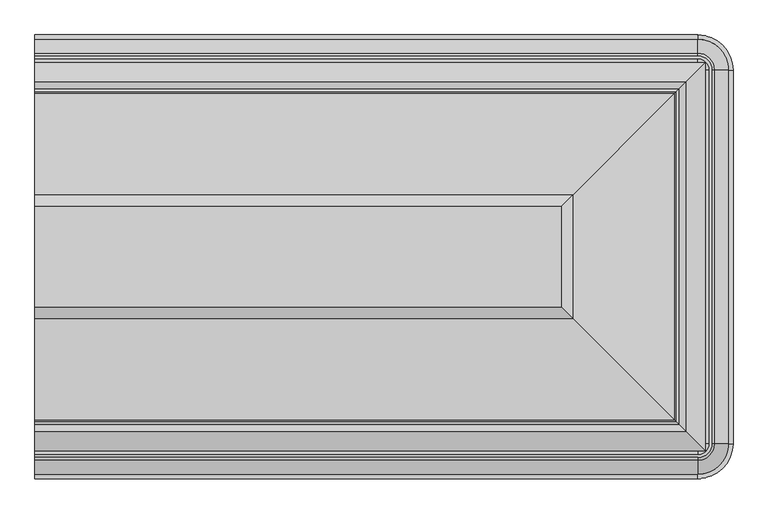
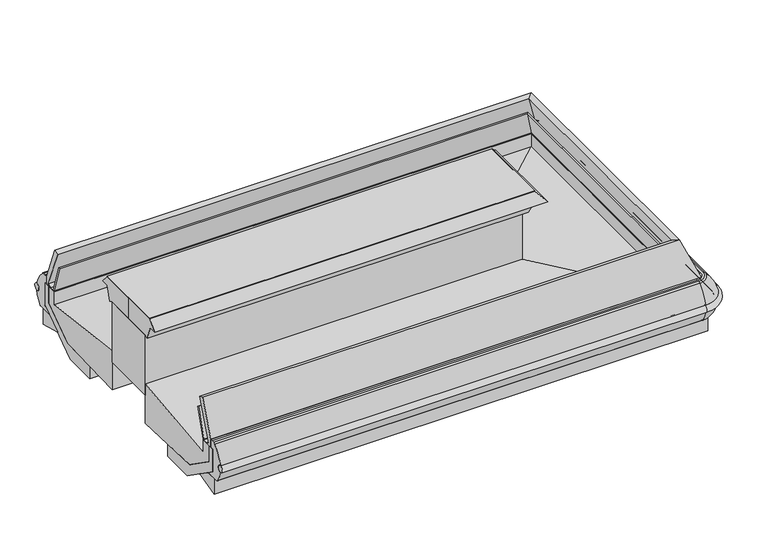
"""IFC4 building model written with IfcOpenShell, lengths in millimetres: proxy geometry."""

from ifc_helpers import new_model, si_unit, point, frame, origin, place, context, project, spatial, polyline, circle_curve, ellipse_curve, trimmed, outline, extrude, faceted_brep, source, transform, mapped, element, save
from ifc_brep_helpers import plane_surface, cylinder_surface, revolved_surface, advanced_brep


def mechanical_equipment_1e4bfff5(model_context):
    return source(origin(), model_context, "Body", "SolidModel", [
        faceted_brep([(0.0, -1781.1866726, 911.7999531), (0.0, -1860.5025367, 710.1476321), (0.0, -1841.5332437, 702.6864442), (0.0, -1817.1137149, 702.6864442), (0.0, -1816.7738859, 706.4102991), (0.0, -1770.0922273, 851.4874611), (0.0, -1764.037322, 849.5741862), (0.0, -1810.7189805, 704.4970242), (0.0, -1810.1258242, 699.9316399), (0.0, -1877.2754027, 699.9316399), (0.0, -1877.2754027, 741.2027305), (0.0, -1806.1949558, 921.6509767), (2364.0420453, -1781.1866726, 911.7999531), (2443.3579094, -1860.5025367, 710.1476321), (2424.3886164, -1841.5332437, 702.6864442), (2424.3886164, -485.2560109, 702.6864442), (0.0, -485.2560109, 702.6864442), (0.0, -509.6755397, 702.6864442), (2399.9690876, -509.6755397, 702.6864442), (2399.9690876, -1817.1137149, 702.6864442), (2399.6292586, -1816.7738859, 706.4102991), (2352.9476, -1770.0922273, 851.4874611), (2346.8926947, -1764.037322, 849.5741862), (2393.5743532, -1810.7189805, 704.4970242), (2392.9811969, -1810.1258242, 699.9316399), (2392.9811969, -516.6634304, 699.9316399), (0.0, -516.6634304, 699.9316399), (0.0, -449.5138519, 699.9316399), (2460.1307754, -449.5138519, 699.9316399), (2460.1307754, -1877.2754027, 699.9316399), (2460.1307754, -1877.2754027, 741.2027305), (2389.0503285, -1806.1949558, 921.6509767), (2364.0420453, -545.602582, 911.7999531), (2443.3579094, -466.2867179, 710.1476321), (2399.6292586, -510.0153687, 706.4102991), (2352.9476, -556.6970273, 851.4874611), (2346.8926947, -562.7519326, 849.5741862), (2393.5743532, -516.0702741, 704.4970242), (2460.1307754, -449.5138519, 741.2027305), (2389.0503285, -520.5942988, 921.6509767), (0.0, -545.602582, 911.7999531), (0.0, -520.5942988, 921.6509767), (0.0, -449.5138519, 741.2027305), (0.0, -516.0702741, 704.4970242), (0.0, -562.7519326, 849.5741862), (0.0, -556.6970273, 851.4874611), (0.0, -510.0153687, 706.4102991), (0.0, -466.2867179, 710.1476321)], [[[0, 1, 2, 3, 4, 5, 6, 7, 8, 9, 10, 11]], [[1, 0, 12, 13]], [[2, 1, 13, 14]], [[3, 2, 14, 15, 16, 17, 18, 19]], [[4, 3, 19, 20]], [[5, 4, 20, 21]], [[6, 5, 21, 22]], [[7, 6, 22, 23]], [[8, 7, 23, 24]], [[9, 8, 24, 25, 26, 27, 28, 29]], [[10, 9, 29, 30]], [[11, 10, 30, 31]], [[0, 11, 31, 12]], [[13, 12, 32, 33]], [[14, 13, 33, 15]], [[20, 19, 18, 34]], [[21, 20, 34, 35]], [[22, 21, 35, 36]], [[23, 22, 36, 37]], [[24, 23, 37, 25]], [[30, 29, 28, 38]], [[31, 30, 38, 39]], [[12, 31, 39, 32]], [[40, 41, 42, 27, 26, 43, 44, 45, 46, 17, 16, 47]], [[33, 32, 40, 47]], [[15, 33, 47, 16]], [[34, 18, 17, 46]], [[35, 34, 46, 45]], [[36, 35, 45, 44]], [[37, 36, 44, 43]], [[25, 37, 43, 26]], [[38, 28, 27, 42]], [[39, 38, 42, 41]], [[32, 39, 41, 40]]]),
        extrude(outline(polyline([(1930.9723359, -1348.1169632), (0.0, -1348.1169632), (0.0, -978.6722914), (1930.9723359, -978.6722914), (1930.9723359, -1348.1169632)])), frame((0.0, 0.0, 1059.6328437), z_axis=(0.0, 0.0, 1.0), x_axis=(1.0, 0.0, 0.0)), (0.0, 0.0, 1.0), 3.1453162),
        extrude(outline(polyline([(1891.2645079, -1019.5095352), (1891.2645079, -1308.4091352), (0.0, -1308.4091352), (0.0, -1019.5095352), (1891.2645079, -1019.5095352)])), frame((0.0, 0.0, 631.4585812), z_axis=(0.0, 0.0, 1.0), x_axis=(1.0, 0.0, 0.0)), (0.0, 0.0, 1.0), 317.8871452),
        faceted_brep([(0.0, -1308.2830983, 949.3457264), (0.0, -1326.3805663, 943.3348816), (0.0, -1349.8556285, 1014.0136635), (0.0, -1389.1926575, 1014.0136635), (0.0, -1348.1169632, 1059.6328437), (0.0, -1163.895984, 1059.6328437), (0.0, -1163.895984, 949.3457264), (1891.138471, -1308.2830983, 949.3457264), (1909.235939, -1326.3805663, 943.3348816), (1932.7110012, -1349.8556285, 1014.0136635), (1932.7110012, -976.9336261, 1014.0136635), (0.0, -976.9336261, 1014.0136635), (0.0, -937.5965971, 1014.0136635), (1972.0480302, -937.5965971, 1014.0136635), (1972.0480302, -1389.1926575, 1014.0136635), (1930.9723359, -1348.1169632, 1059.6328437), (1930.9723359, -978.6722914, 1059.6328437), (0.0, -978.6722914, 1059.6328437), (0.0, -1162.8932706, 1059.6328437), (1746.7513567, -1162.8932706, 1059.6328437), (1746.7513567, -1163.895984, 1059.6328437), (1746.7513567, -1163.895984, 949.3457264), (1746.7513567, -1162.8932706, 949.3457264), (0.0, -1162.8932706, 949.3457264), (0.0, -1018.5061563, 949.3457264), (1891.138471, -1018.5061563, 949.3457264), (1909.235939, -1000.4086883, 943.3348816), (0.0, -1000.4086883, 943.3348816)], [[[0, 1, 2, 3, 4, 5, 6]], [[1, 0, 7, 8]], [[2, 1, 8, 9]], [[3, 2, 9, 10, 11, 12, 13, 14]], [[4, 3, 14, 15]], [[5, 4, 15, 16, 17, 18, 19, 20]], [[6, 5, 20, 21]], [[0, 6, 21, 22, 23, 24, 25, 7]], [[8, 7, 25, 26]], [[9, 8, 26, 10]], [[15, 14, 13, 16]], [[21, 20, 19, 22]], [[24, 23, 18, 17, 12, 11, 27]], [[26, 25, 24, 27]], [[10, 26, 27, 11]], [[16, 13, 12, 17]], [[22, 19, 18, 23]]]),
        faceted_brep([(0.0, -1308.4091352, 690.9503766), (0.0, -1308.4091352, 482.92446), (0.0, -1693.9996243, 497.0790606), (0.0, -1857.0513557, 611.2491401), (0.0, -1857.0513557, 699.9316399), (0.0, -1809.4937149, 699.9316399), (0.0, -1809.4937149, 631.4585812), (1891.2645079, -1308.4091352, 690.9503766), (1891.2645079, -1308.4091352, 482.92446), (2276.854997, -1693.9996243, 497.0790606), (2439.9067284, -1857.0513557, 611.2491401), (2439.9067284, -1857.0513557, 699.9316399), (2439.9067284, -469.7378989, 699.9316399), (0.0, -469.7378989, 699.9316399), (0.0, -517.2955397, 699.9316399), (2392.3490876, -517.2955397, 699.9316399), (2392.3490876, -1809.4937149, 699.9316399), (2392.3490876, -1809.4937149, 631.4585812), (1891.2645079, -1018.3801194, 690.9503766), (1891.2645079, -1018.3801194, 482.92446), (2276.854997, -632.7896303, 497.0790606), (2439.9067284, -469.7378989, 611.2491401), (2392.3490876, -517.2955397, 631.4585812), (0.0, -1018.3801194, 690.9503766), (0.0, -517.2955397, 631.4585812), (0.0, -469.7378989, 611.2491401), (0.0, -632.7896303, 497.0790606), (0.0, -1018.3801194, 482.92446)], [[[0, 1, 2, 3, 4, 5, 6]], [[1, 0, 7, 8]], [[2, 1, 8, 9]], [[3, 2, 9, 10]], [[4, 3, 10, 11]], [[5, 4, 11, 12, 13, 14, 15, 16]], [[6, 5, 16, 17]], [[0, 6, 17, 7]], [[8, 7, 18, 19]], [[9, 8, 19, 20]], [[10, 9, 20, 21]], [[11, 10, 21, 12]], [[17, 16, 15, 22]], [[7, 17, 22, 18]], [[23, 24, 14, 13, 25, 26, 27]], [[19, 18, 23, 27]], [[20, 19, 27, 26]], [[21, 20, 26, 25]], [[12, 21, 25, 13]], [[22, 15, 14, 24]], [[18, 22, 24, 23]]]),
        advanced_brep(
        [(0.0, -364.6063208, 652.4275857), (0.0, -367.261694, 617.5553703), (2432.1002227, -364.6063208, 652.4275857), (2432.1002227, -367.261694, 617.5553703), (2542.3829333, -477.5444046, 617.5553703), (2545.0383065, -477.5444046, 652.4275857), (2545.0383065, -1849.24485, 652.4275857), (2542.3829333, -1849.24485, 617.5553703), (2432.1002227, -1959.5275606, 617.5553703), (2432.1002227, -1962.1829338, 652.4275857), (0.0, -1962.1829338, 652.4275857), (0.0, -1959.5275606, 617.5553703)],
        [
            (0, 1, circle_curve(frame((0.0, -366.1293194, 635.0063502), z_axis=(-1.0, 0.0, 0.0), x_axis=(0.0, 1.0, 0.0)), 17.4876806)),
            (1, 0, circle_curve(frame((0.0, -366.2319692, 635.0141666), z_axis=(-1.0, 0.0, 0.0), x_axis=(0.0, 1.0, 0.0)), 17.4891366)),
            (0, 2),
            (2, 3, circle_curve(frame((2432.1002227, -366.1293194, 635.0063502), z_axis=(-1.0, 0.0, 0.0), x_axis=(0.0, 1.0, 0.0)), 17.4876806)),
            (3, 1),
            (3, 2, circle_curve(frame((2432.1002227, -366.2319692, 635.0141666), z_axis=(-1.0, 0.0, 0.0), x_axis=(0.0, 1.0, 0.0)), 17.4891366)),
            (4, 3, circle_curve(frame((2432.1002227, -477.5444046, 617.5553703), z_axis=(0.0, 0.0, 1.0), x_axis=(0.0, 1.0, 0.0)), 110.2827105)),
            (2, 5, circle_curve(frame((2432.1002227, -477.5444046, 652.4275857), z_axis=(0.0, 0.0, -1.0), x_axis=(0.0, 1.0, 0.0)), 112.9380838)),
            (5, 4, circle_curve(frame((2543.5153079, -477.5444046, 635.0063502), z_axis=(0.0, 1.0, 0.0), x_axis=(1.0, 0.0, 0.0)), 17.4876806)),
            (4, 5, circle_curve(frame((2543.4126581, -477.5444046, 635.0141666), z_axis=(0.0, 1.0, 0.0), x_axis=(1.0, 0.0, 0.0)), 17.4891366)),
            (5, 6),
            (6, 7, circle_curve(frame((2543.5153079, -1849.24485, 635.0063502), z_axis=(0.0, 1.0, 0.0), x_axis=(1.0, 0.0, 0.0)), 17.4876806)),
            (7, 4),
            (7, 6, circle_curve(frame((2543.4126581, -1849.24485, 635.0141666), z_axis=(0.0, 1.0, 0.0), x_axis=(1.0, 0.0, 0.0)), 17.4891366)),
            (8, 7, circle_curve(frame((2432.1002227, -1849.24485, 617.5553703), z_axis=(0.0, 0.0, 1.0), x_axis=(1.0, 0.0, 0.0)), 110.2827105)),
            (6, 9, circle_curve(frame((2432.1002227, -1849.24485, 652.4275857), z_axis=(0.0, 0.0, -1.0), x_axis=(1.0, 0.0, 0.0)), 112.9380838)),
            (9, 8, circle_curve(frame((2432.1002227, -1960.6599352, 635.0063502), z_axis=(1.0, 0.0, 0.0), x_axis=(0.0, -1.0, 0.0)), 17.4876806)),
            (8, 9, circle_curve(frame((2432.1002227, -1960.5572854, 635.0141666), z_axis=(1.0, 0.0, 0.0), x_axis=(0.0, -1.0, 0.0)), 17.4891366)),
            (10, 11, circle_curve(frame((0.0, -1960.5572854, 635.0141666), z_axis=(-1.0, 0.0, 0.0), x_axis=(0.0, -1.0, 0.0)), 17.4891366)),
            (11, 10, circle_curve(frame((0.0, -1960.6599352, 635.0063502), z_axis=(-1.0, 0.0, 0.0), x_axis=(0.0, -1.0, 0.0)), 17.4876806)),
            (9, 10),
            (11, 8),
        ],
        [
            plane_surface(frame((0.0, -401.3444046, 50.2442522), z_axis=(-1.0, 0.0, 0.0), x_axis=(0.0, 0.0, 1.0))),
            cylinder_surface(frame((0.0, -366.1293194, 635.0063502), z_axis=(-1.0, 0.0, 0.0), x_axis=(0.0, 1.0, 0.0)), 17.4876806),
            cylinder_surface(frame((0.0, -366.2319692, 635.0141666), z_axis=(-1.0, 0.0, 0.0), x_axis=(0.0, 1.0, 0.0)), 17.4891366),
            revolved_surface(trimmed(ellipse_curve(frame((2432.1002227, -366.1293194, 635.0063502), z_axis=(-1.0, 0.0, 0.0), x_axis=(0.0, 1.0, 0.0)), 17.4876806, 17.4876806), [point((2432.1002227, -364.6063208, 652.4275857))], [point((2432.1002227, -367.261694, 617.5553703))], True, "CARTESIAN"), (2432.1002227, -477.5444046, 50.2442522), (0.0, 0.0, -1.0)),
            revolved_surface(trimmed(ellipse_curve(frame((2432.1002227, -366.2319692, 635.0141666), z_axis=(-1.0, 0.0, 0.0), x_axis=(0.0, 1.0, 0.0)), 17.4891366, 17.4891366), [point((2432.1002227, -367.261694, 617.5553703))], [point((2432.1002227, -364.6063208, 652.4275857))], True, "CARTESIAN"), (2432.1002227, -477.5444046, 50.2442522), (0.0, 0.0, -1.0)),
            cylinder_surface(frame((2543.5153079, -477.5444046, 635.0063502), z_axis=(0.0, 1.0, 0.0), x_axis=(1.0, 0.0, 0.0)), 17.4876806),
            cylinder_surface(frame((2543.4126581, -477.5444046, 635.0141666), z_axis=(0.0, 1.0, 0.0), x_axis=(1.0, 0.0, 0.0)), 17.4891366),
            revolved_surface(trimmed(ellipse_curve(frame((2543.5153079, -1849.24485, 635.0063502), z_axis=(0.0, 1.0, 0.0), x_axis=(1.0, 0.0, 0.0)), 17.4876806, 17.4876806), [point((2545.0383065, -1849.24485, 652.4275857))], [point((2542.3829333, -1849.24485, 617.5553703))], True, "CARTESIAN"), (2432.1002227, -1849.24485, 50.2442522), (0.0, 0.0, -1.0)),
            revolved_surface(trimmed(ellipse_curve(frame((2543.4126581, -1849.24485, 635.0141666), z_axis=(0.0, 1.0, 0.0), x_axis=(1.0, 0.0, 0.0)), 17.4891366, 17.4891366), [point((2542.3829333, -1849.24485, 617.5553703))], [point((2545.0383065, -1849.24485, 652.4275857))], True, "CARTESIAN"), (2432.1002227, -1849.24485, 50.2442522), (0.0, 0.0, -1.0)),
            plane_surface(frame((0.0, -1925.44485, 50.2442522), z_axis=(-1.0, 0.0, 0.0), x_axis=(0.0, 0.0, 1.0))),
            cylinder_surface(frame((2432.1002227, -1960.6599352, 635.0063502), z_axis=(1.0, 0.0, 0.0), x_axis=(0.0, -1.0, 0.0)), 17.4876806),
            cylinder_surface(frame((2432.1002227, -1960.5572854, 635.0141666), z_axis=(1.0, 0.0, 0.0), x_axis=(0.0, -1.0, 0.0)), 17.4891366),
        ],
        [
            (0, [[1, 2]]),
            (1, [[-1, 3, 4, 5]]),
            (2, [[-2, -5, 6, -3]]),
            (3, [[7, -4, 8, 9]]),
            (4, [[-8, -6, -7, 10]]),
            (5, [[-9, 11, 12, 13]]),
            (6, [[-10, -13, 14, -11]]),
            (7, [[15, -12, 16, 17]]),
            (8, [[-16, -14, -15, 18]]),
            (9, [[19, 20]]),
            (10, [[-17, 21, -20, 22]]),
            (11, [[-18, -22, -19, -21]]),
        ],
    ),
        advanced_brep(
        [(0.0, -1932.3707266, 554.795851), (0.0, -1962.3625666, 617.6184528), (0.0, -1962.1829338, 652.4275857), (0.0, -1911.1133562, 737.3348631), (0.0, -1900.315694, 741.5661382), (0.0, -1890.77385, 741.5661382), (0.0, -1877.2754027, 741.2027305), (0.0, -1877.2754027, 699.9316399), (0.0, -1894.7830557, 699.9316399), (0.0, -1894.7830557, 580.2978022), (0.0, -1855.3824045, 552.6494703), (0.0, -1927.6069109, 552.6494703), (2432.1002227, -1932.3707266, 554.795851), (2432.1002227, -1962.3625666, 617.6184528), (2432.1002227, -1962.1829338, 652.4275857), (2432.1002227, -1911.1133562, 737.3348631), (2432.1002227, -1900.315694, 741.5661382), (2483.1710667, -1849.24485, 741.5661382), (2483.1710667, -477.5444046, 741.5661382), (2432.1002227, -426.4735606, 741.5661382), (0.0, -426.4735606, 741.5661382), (0.0, -436.0154046, 741.5661382), (2432.1002227, -436.0154046, 741.5661382), (2473.6292227, -477.5444046, 741.5661382), (2473.6292227, -1849.24485, 741.5661382), (2432.1002227, -1890.77385, 741.5661382), (2432.1002227, -1877.2754027, 741.2027305), (2432.1002227, -1877.2754027, 699.9316399), (2460.1307754, -1849.24485, 699.9316399), (2460.1307754, -477.5444046, 699.9316399), (2432.1002227, -449.5138519, 699.9316399), (0.0, -449.5138519, 699.9316399), (0.0, -432.0061989, 699.9316399), (2432.1002227, -432.0061989, 699.9316399), (2477.6384284, -477.5444046, 699.9316399), (2477.6384284, -1849.24485, 699.9316399), (2432.1002227, -1894.7830557, 699.9316399), (2432.1002227, -1894.7830557, 580.2978022), (2432.1002227, -1855.3824045, 552.6494703), (2432.1002227, -1927.6069109, 552.646226), (2545.2179393, -1849.24485, 617.6184528), (2515.2260993, -1849.24485, 554.795851), (2545.0383065, -1849.24485, 652.4275857), (2493.9687289, -1849.24485, 737.3348631), (2460.1307754, -1849.24485, 741.2027305), (2477.6384284, -1849.24485, 580.2978022), (2438.2377772, -1849.24485, 552.6494703), (2510.4622836, -1849.24485, 552.646226), (2515.2260993, -477.5444046, 554.795851), (2545.2179393, -477.5444046, 617.6184528), (2545.0383065, -477.5444046, 652.4275857), (2493.9687289, -477.5444046, 737.3348631), (2460.1307754, -477.5444046, 741.2027305), (2477.6384284, -477.5444046, 580.2978022), (2438.2377772, -477.5444046, 552.6494703), (2510.4622836, -477.5444046, 552.646226), (2432.1002227, -364.426688, 617.6184528), (2432.1002227, -394.418528, 554.795851), (2432.1002227, -364.6063208, 652.4275857), (2432.1002227, -415.6758984, 737.3348631), (2432.1002227, -449.5138519, 741.2027305), (2432.1002227, -432.0061989, 580.2978022), (2432.1002227, -471.4068501, 552.6494703), (2432.1002227, -399.1823437, 552.646226), (0.0, -394.418528, 554.795851), (0.0, -399.1823437, 552.646226), (0.0, -471.4068501, 552.6494703), (0.0, -432.0061989, 580.2978022), (0.0, -449.5138519, 741.2027305), (0.0, -415.6758984, 737.3348631), (0.0, -364.6063208, 652.4275857), (0.0, -364.426688, 617.6184528)],
        [
            (0, 1, circle_curve(frame((0.0, -1837.1426231, 638.8286796), z_axis=(-1.0, 0.0, 0.0), x_axis=(0.0, 1.0, 0.0)), 127.0035747)),
            (1, 2, circle_curve(frame((0.0, -1960.5572854, 635.0141666), z_axis=(1.0, 0.0, 0.0), x_axis=(0.0, 1.0, 0.0)), 17.4891366)),
            (2, 3, circle_curve(frame((0.0, -1790.3001749, 606.8566258), z_axis=(-1.0, 0.0, 0.0), x_axis=(0.0, 1.0, 0.0)), 177.8212451)),
            (3, 4, circle_curve(frame((0.0, -1900.315694, 725.6733878), z_axis=(-1.0, 0.0, 0.0), x_axis=(0.0, 1.0, 0.0)), 15.8927504)),
            (4, 5),
            (5, 6),
            (6, 7),
            (7, 8),
            (8, 9),
            (9, 10),
            (10, 11),
            (11, 0, circle_curve(frame((0.0, -1927.6069109, 558.9996196), z_axis=(-1.0, 0.0, 0.0), x_axis=(0.0, 1.0, 0.0)), 6.3533936)),
            (0, 12),
            (12, 13, circle_curve(frame((2432.1002227, -1837.1426231, 638.8286796), z_axis=(-1.0, 0.0, 0.0), x_axis=(0.0, 1.0, 0.0)), 127.0035747)),
            (13, 1),
            (13, 14, circle_curve(frame((2432.1002227, -1960.5572854, 635.0141666), z_axis=(1.0, 0.0, 0.0), x_axis=(0.0, 1.0, 0.0)), 17.4891366)),
            (14, 2),
            (14, 15, circle_curve(frame((2432.1002227, -1790.3001749, 606.8566258), z_axis=(-1.0, 0.0, 0.0), x_axis=(0.0, 1.0, 0.0)), 177.8212451)),
            (15, 3),
            (15, 16, circle_curve(frame((2432.1002227, -1900.315694, 725.6733878), z_axis=(-1.0, 0.0, 0.0), x_axis=(0.0, 1.0, 0.0)), 15.8927504)),
            (16, 4),
            (16, 17, circle_curve(frame((2432.1002227, -1849.24485, 741.5661382), z_axis=(0.0, 0.0, 1.0), x_axis=(0.0, -1.0, 0.0)), 51.070844)),
            (17, 18),
            (18, 19, circle_curve(frame((2432.1002227, -477.5444046, 741.5661382), z_axis=(0.0, 0.0, 1.0), x_axis=(1.0, 0.0, 0.0)), 51.070844)),
            (19, 20),
            (20, 21),
            (21, 22),
            (22, 23, circle_curve(frame((2432.1002227, -477.5444046, 741.5661382), z_axis=(0.0, 0.0, -1.0), x_axis=(1.0, 0.0, 0.0)), 41.529)),
            (23, 24),
            (24, 25, circle_curve(frame((2432.1002227, -1849.24485, 741.5661382), z_axis=(0.0, 0.0, -1.0), x_axis=(0.0, -1.0, 0.0)), 41.529)),
            (25, 5),
            (25, 26),
            (26, 6),
            (26, 27),
            (27, 7),
            (27, 28, circle_curve(frame((2432.1002227, -1849.24485, 699.9316399), z_axis=(0.0, 0.0, 1.0), x_axis=(0.0, -1.0, 0.0)), 28.0305527)),
            (28, 29),
            (29, 30, circle_curve(frame((2432.1002227, -477.5444046, 699.9316399), z_axis=(0.0, 0.0, 1.0), x_axis=(1.0, 0.0, 0.0)), 28.0305527)),
            (30, 31),
            (31, 32),
            (32, 33),
            (33, 34, circle_curve(frame((2432.1002227, -477.5444046, 699.9316399), z_axis=(0.0, 0.0, -1.0), x_axis=(1.0, 0.0, 0.0)), 45.5382057)),
            (34, 35),
            (35, 36, circle_curve(frame((2432.1002227, -1849.24485, 699.9316399), z_axis=(0.0, 0.0, -1.0), x_axis=(0.0, -1.0, 0.0)), 45.5382057)),
            (36, 8),
            (36, 37),
            (37, 9),
            (37, 38),
            (38, 10),
            (11, 39),
            (39, 12, circle_curve(frame((2432.1002227, -1927.6069109, 558.9996196), z_axis=(-1.0, 0.0, 0.0), x_axis=(0.0, 1.0, 0.0)), 6.3533936)),
            (40, 13, circle_curve(frame((2432.1002227, -1849.24485, 617.6184528), z_axis=(0.0, 0.0, -1.0), x_axis=(0.0, -1.0, 0.0)), 113.1177166)),
            (12, 41, circle_curve(frame((2432.1002227, -1849.24485, 554.795851), z_axis=(0.0, 0.0, 1.0), x_axis=(0.0, -1.0, 0.0)), 83.1258766)),
            (41, 40, circle_curve(frame((2419.9979958, -1849.24485, 638.8286796), z_axis=(0.0, -1.0, 0.0), x_axis=(-1.0, 0.0, 0.0)), 127.0035747)),
            (42, 14, circle_curve(frame((2432.1002227, -1849.24485, 652.4275857), z_axis=(0.0, 0.0, -1.0), x_axis=(0.0, -1.0, 0.0)), 112.9380838)),
            (40, 42, circle_curve(frame((2543.4126581, -1849.24485, 635.0141666), z_axis=(0.0, 1.0, 0.0), x_axis=(-1.0, 0.0, 0.0)), 17.4891366)),
            (43, 15, circle_curve(frame((2432.1002227, -1849.24485, 737.3348631), z_axis=(0.0, 0.0, -1.0), x_axis=(0.0, -1.0, 0.0)), 61.8685062)),
            (42, 43, circle_curve(frame((2373.1555476, -1849.24485, 606.8566258), z_axis=(0.0, -1.0, 0.0), x_axis=(-1.0, 0.0, 0.0)), 177.8212451)),
            (43, 17, circle_curve(frame((2483.1710667, -1849.24485, 725.6733878), z_axis=(0.0, -1.0, 0.0), x_axis=(-1.0, 0.0, 0.0)), 15.8927504)),
            (44, 26, circle_curve(frame((2432.1002227, -1849.24485, 741.2027305), z_axis=(0.0, 0.0, -1.0), x_axis=(0.0, -1.0, 0.0)), 28.0305527)),
            (24, 44),
            (44, 28),
            (45, 37, circle_curve(frame((2432.1002227, -1849.24485, 580.2978022), z_axis=(0.0, 0.0, -1.0), x_axis=(0.0, -1.0, 0.0)), 45.5382057)),
            (35, 45),
            (46, 38, circle_curve(frame((2432.1002227, -1849.24485, 552.6494703), z_axis=(0.0, 0.0, -1.0), x_axis=(0.0, -1.0, 0.0)), 6.1375545)),
            (45, 46),
            (39, 47, circle_curve(frame((2432.1002227, -1849.24485, 552.646226), z_axis=(0.0, 0.0, 1.0), x_axis=(0.0, -1.0, 0.0)), 78.3620609)),
            (47, 41, circle_curve(frame((2510.4622836, -1849.24485, 558.9996196), z_axis=(0.0, -1.0, 0.0), x_axis=(-1.0, 0.0, 0.0)), 6.3533936)),
            (41, 48),
            (48, 49, circle_curve(frame((2419.9979958, -477.5444046, 638.8286796), z_axis=(0.0, -1.0, 0.0), x_axis=(-1.0, 0.0, 0.0)), 127.0035747)),
            (49, 40),
            (49, 50, circle_curve(frame((2543.4126581, -477.5444046, 635.0141666), z_axis=(0.0, 1.0, 0.0), x_axis=(-1.0, 0.0, 0.0)), 17.4891366)),
            (50, 42),
            (50, 51, circle_curve(frame((2373.1555476, -477.5444046, 606.8566258), z_axis=(0.0, -1.0, 0.0), x_axis=(-1.0, 0.0, 0.0)), 177.8212451)),
            (51, 43),
            (51, 18, circle_curve(frame((2483.1710667, -477.5444046, 725.6733878), z_axis=(0.0, -1.0, 0.0), x_axis=(-1.0, 0.0, 0.0)), 15.8927504)),
            (23, 52),
            (52, 44),
            (52, 29),
            (34, 53),
            (53, 45),
            (53, 54),
            (54, 46),
            (47, 55),
            (55, 48, circle_curve(frame((2510.4622836, -477.5444046, 558.9996196), z_axis=(0.0, -1.0, 0.0), x_axis=(-1.0, 0.0, 0.0)), 6.3533936)),
            (56, 49, circle_curve(frame((2432.1002227, -477.5444046, 617.6184528), z_axis=(0.0, 0.0, -1.0), x_axis=(1.0, 0.0, 0.0)), 113.1177166)),
            (48, 57, circle_curve(frame((2432.1002227, -477.5444046, 554.795851), z_axis=(0.0, 0.0, 1.0), x_axis=(1.0, 0.0, 0.0)), 83.1258766)),
            (57, 56, circle_curve(frame((2432.1002227, -489.6466315, 638.8286796), z_axis=(1.0, 0.0, 0.0), x_axis=(0.0, -1.0, 0.0)), 127.0035747)),
            (58, 50, circle_curve(frame((2432.1002227, -477.5444046, 652.4275857), z_axis=(0.0, 0.0, -1.0), x_axis=(1.0, 0.0, 0.0)), 112.9380838)),
            (56, 58, circle_curve(frame((2432.1002227, -366.2319692, 635.0141666), z_axis=(-1.0, 0.0, 0.0), x_axis=(0.0, -1.0, 0.0)), 17.4891366)),
            (59, 51, circle_curve(frame((2432.1002227, -477.5444046, 737.3348631), z_axis=(0.0, 0.0, -1.0), x_axis=(1.0, 0.0, 0.0)), 61.8685062)),
            (58, 59, circle_curve(frame((2432.1002227, -536.4890797, 606.8566258), z_axis=(1.0, 0.0, 0.0), x_axis=(0.0, -1.0, 0.0)), 177.8212451)),
            (59, 19, circle_curve(frame((2432.1002227, -426.4735606, 725.6733878), z_axis=(1.0, 0.0, 0.0), x_axis=(0.0, -1.0, 0.0)), 15.8927504)),
            (60, 52, circle_curve(frame((2432.1002227, -477.5444046, 741.2027305), z_axis=(0.0, 0.0, -1.0), x_axis=(1.0, 0.0, 0.0)), 28.0305527)),
            (22, 60),
            (60, 30),
            (61, 53, circle_curve(frame((2432.1002227, -477.5444046, 580.2978022), z_axis=(0.0, 0.0, -1.0), x_axis=(1.0, 0.0, 0.0)), 45.5382057)),
            (33, 61),
            (62, 54, circle_curve(frame((2432.1002227, -477.5444046, 552.6494703), z_axis=(0.0, 0.0, -1.0), x_axis=(1.0, 0.0, 0.0)), 6.1375545)),
            (61, 62),
            (55, 63, circle_curve(frame((2432.1002227, -477.5444046, 552.646226), z_axis=(0.0, 0.0, 1.0), x_axis=(1.0, 0.0, 0.0)), 78.3620609)),
            (63, 57, circle_curve(frame((2432.1002227, -399.1823437, 558.9996196), z_axis=(1.0, 0.0, 0.0), x_axis=(0.0, -1.0, 0.0)), 6.3533936)),
            (64, 65, circle_curve(frame((0.0, -399.1823437, 558.9996196), z_axis=(-1.0, 0.0, 0.0), x_axis=(0.0, -1.0, 0.0)), 6.3533936)),
            (65, 66),
            (66, 67),
            (67, 32),
            (31, 68),
            (68, 21),
            (20, 69, circle_curve(frame((0.0, -426.4735606, 725.6733878), z_axis=(-1.0, 0.0, 0.0), x_axis=(0.0, -1.0, 0.0)), 15.8927504)),
            (69, 70, circle_curve(frame((0.0, -536.4890797, 606.8566258), z_axis=(-1.0, 0.0, 0.0), x_axis=(0.0, -1.0, 0.0)), 177.8212451)),
            (70, 71, circle_curve(frame((0.0, -366.2319692, 635.0141666), z_axis=(1.0, 0.0, 0.0), x_axis=(0.0, -1.0, 0.0)), 17.4891366)),
            (71, 64, circle_curve(frame((0.0, -489.6466315, 638.8286796), z_axis=(-1.0, 0.0, 0.0), x_axis=(0.0, -1.0, 0.0)), 127.0035747)),
            (57, 64),
            (71, 56),
            (70, 58),
            (69, 59),
            (68, 60),
            (67, 61),
            (66, 62),
            (63, 65),
        ],
        [
            plane_surface(frame((0.0, -1925.44485, 50.2442522), z_axis=(-1.0, 0.0, 0.0), x_axis=(0.0, 0.0, 1.0))),
            cylinder_surface(frame((0.0, -1837.1426231, 638.8286796), z_axis=(-1.0, 0.0, 0.0), x_axis=(0.0, 1.0, 0.0)), 127.0035747),
            revolved_surface(polyline([(2432.1002227, -1943.0681488, 635.0141666), (0.0, -1943.0681488, 635.0141666)]), (0.0, -1960.5572854, 635.0141666), (1.0, 0.0, 0.0)),
            cylinder_surface(frame((0.0, -1790.3001749, 606.8566258), z_axis=(-1.0, 0.0, 0.0), x_axis=(0.0, 1.0, 0.0)), 177.8212451),
            cylinder_surface(frame((0.0, -1900.315694, 725.6733878), z_axis=(-1.0, 0.0, 0.0), x_axis=(0.0, 1.0, 0.0)), 15.8927504),
            plane_surface(frame((0.0, -1900.315694, 741.5661382), z_axis=(0.0, 0.0, 1.0), x_axis=(1.0, 0.0, 0.0))),
            plane_surface(frame((0.0, -1890.77385, 741.5661382), z_axis=(0.0, 0.026912433548100627, 0.9996377948639793), x_axis=(1.0, 0.0, 0.0))),
            plane_surface(frame((0.0, -1877.2754027, 741.2027305), z_axis=(0.0, 1.0, 0.0), x_axis=(1.0, 0.0, 0.0))),
            plane_surface(frame((0.0, -1877.2754027, 699.9316399), z_axis=(0.0, 0.0, -1.0), x_axis=(1.0, 0.0, 0.0))),
            plane_surface(frame((0.0, -1894.7830557, 699.9316399), z_axis=(0.0, 1.0, 0.0), x_axis=(1.0, 0.0, 0.0))),
            plane_surface(frame((0.0, -1894.7830557, 580.2978022), z_axis=(0.0, 0.574408378166725, 0.818568882313439), x_axis=(1.0, 0.0, 0.0))),
            cylinder_surface(frame((0.0, -1927.6069109, 558.9996196), z_axis=(-1.0, 0.0, 0.0), x_axis=(0.0, 1.0, 0.0)), 6.3533936),
            revolved_surface(trimmed(ellipse_curve(frame((2432.1002227, -1837.1426231, 638.8286796), z_axis=(-1.0, 0.0, 0.0), x_axis=(0.0, 1.0, 0.0)), 127.0035747, 127.0035747), [point((2432.1002227, -1932.3707266, 554.795851))], [point((2432.1002227, -1962.3625666, 617.6184528))], True, "CARTESIAN"), (2432.1002227, -1849.24485, 50.2442522), (0.0, 0.0, 1.0)),
            revolved_surface(trimmed(ellipse_curve(frame((2432.1002227, -1960.5572854, 635.0141666), z_axis=(1.0, 0.0, 0.0), x_axis=(0.0, 1.0, 0.0)), 17.4891366, 17.4891366), [point((2432.1002227, -1962.3625666, 617.6184528))], [point((2432.1002227, -1962.1829338, 652.4275857))], True, "CARTESIAN"), (2432.1002227, -1849.24485, 50.2442522), (0.0, 0.0, 1.0)),
            revolved_surface(trimmed(ellipse_curve(frame((2432.1002227, -1790.3001749, 606.8566258), z_axis=(-1.0, 0.0, 0.0), x_axis=(0.0, 1.0, 0.0)), 177.8212451, 177.8212451), [point((2432.1002227, -1962.1829338, 652.4275857))], [point((2432.1002227, -1911.1133562, 737.3348631))], True, "CARTESIAN"), (2432.1002227, -1849.24485, 50.2442522), (0.0, 0.0, 1.0)),
            revolved_surface(trimmed(ellipse_curve(frame((2432.1002227, -1900.315694, 725.6733878), z_axis=(-1.0, 0.0, 0.0), x_axis=(0.0, 1.0, 0.0)), 15.8927504, 15.8927504), [point((2432.1002227, -1911.1133562, 737.3348631))], [point((2432.1002227, -1900.315694, 741.5661382))], True, "CARTESIAN"), (2432.1002227, -1849.24485, 50.2442522), (0.0, 0.0, 1.0)),
            revolved_surface(polyline([(2432.1002227, -1890.77385, 741.5661382), (2432.1002227, -1877.2754027, 741.2027305)]), (2432.1002227, -1849.24485, 50.2442522), (0.0, 0.0, 1.0)),
            revolved_surface(polyline([(2432.1002227, -1877.2754027, 741.2027305), (2432.1002227, -1877.2754027, 699.9316399)]), (2432.1002227, -1849.24485, 50.2442522), (0.0, 0.0, 1.0)),
            revolved_surface(polyline([(2432.1002227, -1894.7830557, 699.9316399), (2432.1002227, -1894.7830557, 580.2978022)]), (2432.1002227, -1849.24485, 50.2442522), (0.0, 0.0, 1.0)),
            revolved_surface(polyline([(2432.1002227, -1894.7830557, 580.2978022), (2432.1002227, -1855.3824045, 552.6494703)]), (2432.1002227, -1849.24485, 50.2442522), (0.0, 0.0, 1.0)),
            revolved_surface(trimmed(ellipse_curve(frame((2432.1002227, -1927.6069109, 558.9996196), z_axis=(-1.0, 0.0, 0.0), x_axis=(0.0, 1.0, 0.0)), 6.3533936, 6.3533936), [point((2432.1002227, -1927.6069109, 552.646226))], [point((2432.1002227, -1932.3707266, 554.795851))], True, "CARTESIAN"), (2432.1002227, -1849.24485, 50.2442522), (0.0, 0.0, 1.0)),
            cylinder_surface(frame((2419.9979958, -1849.24485, 638.8286796), z_axis=(0.0, -1.0, 0.0), x_axis=(-1.0, 0.0, 0.0)), 127.0035747),
            revolved_surface(polyline([(2525.9235215, -477.5444046, 635.0141666), (2525.9235215, -1849.24485, 635.0141666)]), (2543.4126581, -1849.24485, 635.0141666), (0.0, 1.0, 0.0)),
            cylinder_surface(frame((2373.1555476, -1849.24485, 606.8566258), z_axis=(0.0, -1.0, 0.0), x_axis=(-1.0, 0.0, 0.0)), 177.8212451),
            cylinder_surface(frame((2483.1710667, -1849.24485, 725.6733878), z_axis=(0.0, -1.0, 0.0), x_axis=(-1.0, 0.0, 0.0)), 15.8927504),
            plane_surface(frame((2473.6292227, -1849.24485, 741.5661382), z_axis=(-0.026912433548100627, 0.0, 0.9996377948639793), x_axis=(0.0, 1.0, 0.0))),
            plane_surface(frame((2460.1307754, -1849.24485, 741.2027305), z_axis=(-1.0, 0.0, 0.0), x_axis=(0.0, 1.0, 0.0))),
            plane_surface(frame((2477.6384284, -1849.24485, 699.9316399), z_axis=(-1.0, 0.0, 0.0), x_axis=(0.0, 1.0, 0.0))),
            plane_surface(frame((2477.6384284, -1849.24485, 580.2978022), z_axis=(-0.574408378166725, 0.0, 0.818568882313439), x_axis=(0.0, 1.0, 0.0))),
            cylinder_surface(frame((2510.4622836, -1849.24485, 558.9996196), z_axis=(0.0, -1.0, 0.0), x_axis=(-1.0, 0.0, 0.0)), 6.3533936),
            revolved_surface(trimmed(ellipse_curve(frame((2419.9979958, -477.5444046, 638.8286796), z_axis=(0.0, -1.0, 0.0), x_axis=(-1.0, 0.0, 0.0)), 127.0035747, 127.0035747), [point((2515.2260993, -477.5444046, 554.795851))], [point((2545.2179393, -477.5444046, 617.6184528))], True, "CARTESIAN"), (2432.1002227, -477.5444046, 50.2442522), (0.0, 0.0, 1.0)),
            revolved_surface(trimmed(ellipse_curve(frame((2543.4126581, -477.5444046, 635.0141666), z_axis=(0.0, 1.0, 0.0), x_axis=(-1.0, 0.0, 0.0)), 17.4891366, 17.4891366), [point((2545.2179393, -477.5444046, 617.6184528))], [point((2545.0383065, -477.5444046, 652.4275857))], True, "CARTESIAN"), (2432.1002227, -477.5444046, 50.2442522), (0.0, 0.0, 1.0)),
            revolved_surface(trimmed(ellipse_curve(frame((2373.1555476, -477.5444046, 606.8566258), z_axis=(0.0, -1.0, 0.0), x_axis=(-1.0, 0.0, 0.0)), 177.8212451, 177.8212451), [point((2545.0383065, -477.5444046, 652.4275857))], [point((2493.9687289, -477.5444046, 737.3348631))], True, "CARTESIAN"), (2432.1002227, -477.5444046, 50.2442522), (0.0, 0.0, 1.0)),
            revolved_surface(trimmed(ellipse_curve(frame((2483.1710667, -477.5444046, 725.6733878), z_axis=(0.0, -1.0, 0.0), x_axis=(-1.0, 0.0, 0.0)), 15.8927504, 15.8927504), [point((2493.9687289, -477.5444046, 737.3348631))], [point((2483.1710667, -477.5444046, 741.5661382))], True, "CARTESIAN"), (2432.1002227, -477.5444046, 50.2442522), (0.0, 0.0, 1.0)),
            revolved_surface(polyline([(2473.6292227, -477.5444046, 741.5661382), (2460.1307754, -477.5444046, 741.2027305)]), (2432.1002227, -477.5444046, 50.2442522), (0.0, 0.0, 1.0)),
            revolved_surface(polyline([(2460.1307754, -477.5444046, 741.2027305), (2460.1307754, -477.5444046, 699.9316399)]), (2432.1002227, -477.5444046, 50.2442522), (0.0, 0.0, 1.0)),
            revolved_surface(polyline([(2477.6384284, -477.5444046, 699.9316399), (2477.6384284, -477.5444046, 580.2978022)]), (2432.1002227, -477.5444046, 50.2442522), (0.0, 0.0, 1.0)),
            revolved_surface(polyline([(2477.6384284, -477.5444046, 580.2978022), (2438.2377772, -477.5444046, 552.6494703)]), (2432.1002227, -477.5444046, 50.2442522), (0.0, 0.0, 1.0)),
            revolved_surface(trimmed(ellipse_curve(frame((2510.4622836, -477.5444046, 558.9996196), z_axis=(0.0, -1.0, 0.0), x_axis=(-1.0, 0.0, 0.0)), 6.3533936, 6.3533936), [point((2510.4622836, -477.5444046, 552.646226))], [point((2515.2260993, -477.5444046, 554.795851))], True, "CARTESIAN"), (2432.1002227, -477.5444046, 50.2442522), (0.0, 0.0, 1.0)),
            plane_surface(frame((0.0, -401.3444046, 50.2442522), z_axis=(-1.0, 0.0, 0.0), x_axis=(0.0, 0.0, 1.0))),
            cylinder_surface(frame((2432.1002227, -489.6466315, 638.8286796), z_axis=(1.0, 0.0, 0.0), x_axis=(0.0, -1.0, 0.0)), 127.0035747),
            revolved_surface(polyline([(0.0, -383.7211058, 635.0141666), (2432.1002227, -383.7211058, 635.0141666)]), (2432.1002227, -366.2319692, 635.0141666), (-1.0, 0.0, 0.0)),
            cylinder_surface(frame((2432.1002227, -536.4890797, 606.8566258), z_axis=(1.0, 0.0, 0.0), x_axis=(0.0, -1.0, 0.0)), 177.8212451),
            cylinder_surface(frame((2432.1002227, -426.4735606, 725.6733878), z_axis=(1.0, 0.0, 0.0), x_axis=(0.0, -1.0, 0.0)), 15.8927504),
            plane_surface(frame((2432.1002227, -436.0154046, 741.5661382), z_axis=(0.0, -0.026912433548100627, 0.9996377948639793), x_axis=(-1.0, 0.0, 0.0))),
            plane_surface(frame((2432.1002227, -449.5138519, 741.2027305), z_axis=(0.0, -1.0, 0.0), x_axis=(-1.0, 0.0, 0.0))),
            plane_surface(frame((2432.1002227, -432.0061989, 699.9316399), z_axis=(0.0, -1.0, 0.0), x_axis=(-1.0, 0.0, 0.0))),
            plane_surface(frame((2432.1002227, -432.0061989, 580.2978022), z_axis=(0.0, -0.574408378166725, 0.818568882313439), x_axis=(-1.0, 0.0, 0.0))),
            cylinder_surface(frame((2432.1002227, -399.1823437, 558.9996196), z_axis=(1.0, 0.0, 0.0), x_axis=(0.0, -1.0, 0.0)), 6.3533936),
            plane_surface(frame((0.0, -1855.3824045, 552.6494703), z_axis=(0.0, 0.0, -1.0), x_axis=(1.0, 0.0, 0.0))),
        ],
        [
            (0, [[1, 2, 3, 4, 5, 6, 7, 8, 9, 10, 11, 12]]),
            (1, [[-1, 13, 14, 15]]),
            (2, [[-2, -15, 16, 17]]),
            (3, [[-3, -17, 18, 19]]),
            (4, [[-4, -19, 20, 21]]),
            (5, [[-5, -21, 22, 23, 24, 25, 26, 27, 28, 29, 30, 31]]),
            (6, [[-6, -31, 32, 33]]),
            (7, [[-7, -33, 34, 35]]),
            (8, [[-8, -35, 36, 37, 38, 39, 40, 41, 42, 43, 44, 45]]),
            (9, [[-9, -45, 46, 47]]),
            (10, [[-10, -47, 48, 49]]),
            (11, [[-12, 50, 51, -13]]),
            (12, [[52, -14, 53, 54]]),
            (13, [[55, -16, -52, 56]]),
            (14, [[57, -18, -55, 58]]),
            (15, [[-22, -20, -57, 59]]),
            (16, [[60, -32, -30, 61]]),
            (17, [[-36, -34, -60, 62]]),
            (18, [[63, -46, -44, 64]]),
            (19, [[65, -48, -63, 66]]),
            (20, [[-53, -51, 67, 68]]),
            (21, [[-54, 69, 70, 71]]),
            (22, [[-56, -71, 72, 73]]),
            (23, [[-58, -73, 74, 75]]),
            (24, [[-59, -75, 76, -23]]),
            (25, [[-61, -29, 77, 78]]),
            (26, [[-62, -78, 79, -37]]),
            (27, [[-64, -43, 80, 81]]),
            (28, [[-66, -81, 82, 83]]),
            (29, [[-68, 84, 85, -69]]),
            (30, [[86, -70, 87, 88]]),
            (31, [[89, -72, -86, 90]]),
            (32, [[91, -74, -89, 92]]),
            (33, [[-24, -76, -91, 93]]),
            (34, [[94, -77, -28, 95]]),
            (35, [[-38, -79, -94, 96]]),
            (36, [[97, -80, -42, 98]]),
            (37, [[99, -82, -97, 100]]),
            (38, [[-87, -85, 101, 102]]),
            (39, [[103, 104, 105, 106, -40, 107, 108, -26, 109, 110, 111, 112]]),
            (40, [[-88, 113, -112, 114]]),
            (41, [[-90, -114, -111, 115]]),
            (42, [[-92, -115, -110, 116]]),
            (43, [[-93, -116, -109, -25]]),
            (44, [[-95, -27, -108, 117]]),
            (45, [[-96, -117, -107, -39]]),
            (46, [[-98, -41, -106, 118]]),
            (47, [[-100, -118, -105, 119]]),
            (48, [[-102, 120, -103, -113]]),
            (49, [[-49, -65, -83, -99, -119, -104, -120, -101, -84, -67, -50, -11]]),
        ],
    ),
        faceted_brep([(0.0, -1855.3777812, 552.6494703), (0.0, -1781.4205446, 500.7580864), (0.0, -1906.609561, 468.5418787), (0.0, -1906.609561, 552.6494703), (2474.045373, -1906.609561, 552.6494703), (2474.045373, -420.1796936, 552.6494703), (0.0, -420.1796936, 552.6494703), (0.0, -471.4114734, 552.6494703), (2422.8135932, -471.4114734, 552.6494703), (2422.8135932, -1855.3777812, 552.6494703), (2348.8563566, -1781.4205446, 500.7580864), (2474.045373, -1906.609561, 468.5418787), (2348.8563566, -545.36871, 500.7580864), (2474.045373, -420.1796936, 468.5418787), (0.0, -420.1796936, 468.5418787), (0.0, -545.36871, 500.7580864)], [[[0, 1, 2, 3]], [[0, 3, 4, 5, 6, 7, 8, 9]], [[1, 0, 9, 10]], [[2, 1, 10, 11]], [[10, 9, 8, 12]], [[11, 10, 12, 13]], [[7, 6, 14, 15]], [[12, 8, 7, 15]], [[13, 12, 15, 14]], [[3, 2, 11, 4]], [[4, 11, 13, 5]], [[5, 13, 14, 6]]]),
        faceted_brep([(0.0, -1673.2970159, 424.8942522), (0.0, -1894.7830557, 580.2978022), (0.0, -1894.7830557, 699.9316399), (0.0, -1857.0513557, 699.9316399), (0.0, -1857.0513557, 611.2491401), (0.0, -1693.9996243, 497.0790606), (0.0, -1501.8470159, 490.0253507), (0.0, -1501.8470159, 424.8942522), (2256.1523886, -1673.2970159, 424.8942522), (2477.6384284, -1894.7830557, 580.2978022), (2477.6384284, -1894.7830557, 699.9316399), (2477.6384284, -432.0061989, 699.9316399), (0.0, -432.0061989, 699.9316399), (0.0, -469.7378989, 699.9316399), (2439.9067284, -469.7378989, 699.9316399), (2439.9067284, -1857.0513557, 699.9316399), (2439.9067284, -1857.0513557, 611.2491401), (2276.854997, -1693.9996243, 497.0790606), (2084.7023886, -1501.8470159, 490.0253507), (2084.7023886, -1501.8470159, 424.8942522), (2084.7023886, -824.9422387, 424.8942522), (0.0, -824.9422387, 424.8942522), (0.0, -653.4922387, 424.8942522), (2256.1523886, -653.4922387, 424.8942522), (2477.6384284, -432.0061989, 580.2978022), (2439.9067284, -469.7378989, 611.2491401), (2276.854997, -632.7896303, 497.0790606), (2084.7023886, -824.9422387, 490.0253507), (0.0, -824.9422387, 490.0253507), (0.0, -632.7896303, 497.0790606), (0.0, -469.7378989, 611.2491401), (0.0, -432.0061989, 580.2978022)], [[[0, 1, 2, 3, 4, 5, 6, 7]], [[1, 0, 8, 9]], [[2, 1, 9, 10]], [[3, 2, 10, 11, 12, 13, 14, 15]], [[4, 3, 15, 16]], [[5, 4, 16, 17]], [[6, 5, 17, 18]], [[7, 6, 18, 19]], [[0, 7, 19, 20, 21, 22, 23, 8]], [[9, 8, 23, 24]], [[10, 9, 24, 11]], [[16, 15, 14, 25]], [[17, 16, 25, 26]], [[18, 17, 26, 27]], [[19, 18, 27, 20]], [[22, 21, 28, 29, 30, 13, 12, 31]], [[24, 23, 22, 31]], [[11, 24, 31, 12]], [[25, 14, 13, 30]], [[26, 25, 30, 29]], [[27, 26, 29, 28]], [[20, 27, 28, 21]]]),
    ])


if __name__ == "__main__":
    model = new_model("IFC4")
    model_context = context("Model", 3, world=origin())
    ifc_project = project(units=[si_unit("LENGTHUNIT", "METRE", prefix="MILLI")], contexts=[model_context])
    site = spatial("IfcSite", under=ifc_project)
    building = spatial("IfcBuilding", under=site)
    placement = place(None, origin())
    mechanical_equipment_shape = mechanical_equipment_1e4bfff5(model_context)
    element("IfcBuildingElementProxy", 1, Name="Mechanical Equipment", at=placement, inside=building, context=model_context, shape_type="MappedRepresentation", body=[
        mapped(mechanical_equipment_shape, transform((0.0, 0.0, 0.0), x_axis=(1.0, 0.0, 0.0), y_axis=(0.0, 1.0, 0.0), z_axis=(0.0, 0.0, 1.0))),
    ])
    save(model, "model.ifc")
